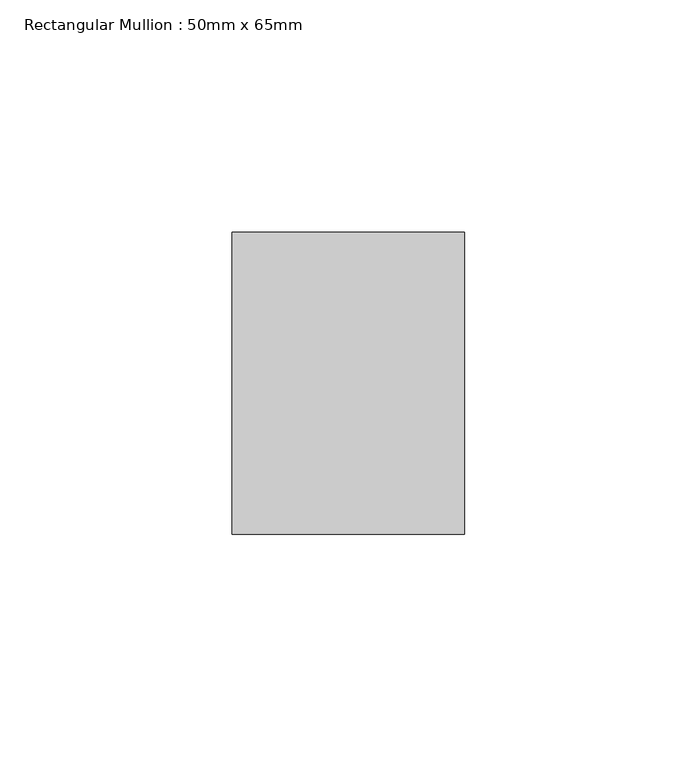
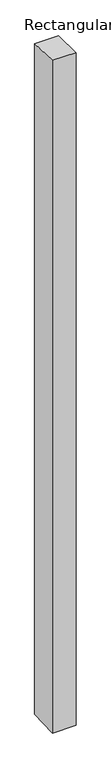
"""IFC4 building model written with IfcOpenShell, lengths in millimetres: member geometry, Rectangular Mullion : 50mm x 65mm."""

from ifc_helpers import new_model, si_unit, origin, place, context, project, spatial, faceted_brep, source, transform, mapped, element, save


def rectangular_mullion_50mm_x_65mm_953f2855(model_context):
    return source(origin(), model_context, "Body", "Brep", [
        faceted_brep([(-25.0, 32.5, -0.8979597), (25.0, 32.5, -0.897967), (25.0, 32.5, -1498.8581945), (-25.0, 32.5, -1498.8582037), (-25.0, -32.5, 0.897967), (-25.0, -32.5, -1501.1421041), (25.0, -32.5, 0.8979597), (25.0, -32.5, -1501.1420949)], [[[0, 1, 2, 3]], [[4, 0, 3, 5]], [[6, 4, 5, 7]], [[1, 6, 7, 2]], [[1, 0, 4, 6]], [[2, 7, 5, 3]]]),
    ])


if __name__ == "__main__":
    model = new_model("IFC4")
    model_context = context("Model", 3, world=origin())
    ifc_project = project(units=[si_unit("LENGTHUNIT", "METRE", prefix="MILLI")], contexts=[model_context])
    site = spatial("IfcSite", under=ifc_project)
    building = spatial("IfcBuilding", under=site)
    placement = place(None, origin())
    rectangular_mullion_50mm_x_65mm_shape = rectangular_mullion_50mm_x_65mm_953f2855(model_context)
    element("IfcMember", 1, ObjectType="Rectangular Mullion : 50mm x 65mm", at=placement, inside=building, context=model_context, shape_type="MappedRepresentation", body=[
        mapped(rectangular_mullion_50mm_x_65mm_shape, transform((0.0, 0.0, 0.0), x_axis=(1.0, 0.0, 0.0), y_axis=(0.0, 1.0, 0.0), z_axis=(0.0, 0.0, 1.0))),
    ])
    save(model, "model.ifc")
